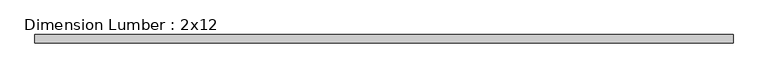
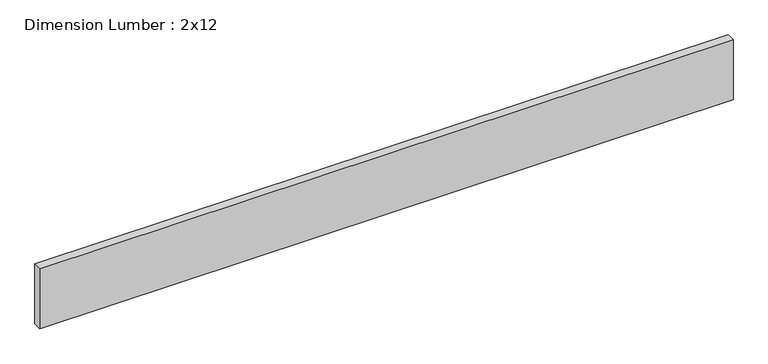
"""IFC4 building model written with IfcOpenShell, lengths in millimetres: beam geometry, Dimension Lumber : 2x12."""

from ifc_helpers import new_model, si_unit, frame, origin, place, context, project, spatial, polyline, outline, extrude, source, transform, mapped, element, save


def dimension_lumber_2x12_7712cc64(model_context):
    return source(origin(), model_context, "Body", "SweptSolid", [
        extrude(outline(polyline([(1546.7912513, -19.05), (-1577.4087487, -19.05), (-1577.4087487, 19.05), (1546.7912513, 19.05), (1546.7912513, -19.05)])), frame((0.0, 0.0, -142.875), z_axis=(0.0, 0.0, 1.0), x_axis=(1.0, 0.0, 0.0)), (0.0, 0.0, 1.0), 285.75),
    ])


if __name__ == "__main__":
    model = new_model("IFC4")
    model_context = context("Model", 3, world=origin())
    ifc_project = project(units=[si_unit("LENGTHUNIT", "METRE", prefix="MILLI")], contexts=[model_context])
    site = spatial("IfcSite", under=ifc_project)
    building = spatial("IfcBuilding", under=site)
    placement = place(None, origin())
    dimension_lumber_2x12_shape = dimension_lumber_2x12_7712cc64(model_context)
    element("IfcBeam", 1, ObjectType="Dimension Lumber : 2x12", at=placement, inside=building, context=model_context, shape_type="MappedRepresentation", body=[
        mapped(dimension_lumber_2x12_shape, transform((0.0, 0.0, 0.0), x_axis=(1.0, 0.0, 0.0), y_axis=(0.0, 1.0, 0.0), z_axis=(0.0, 0.0, 1.0))),
    ])
    save(model, "model.ifc")
